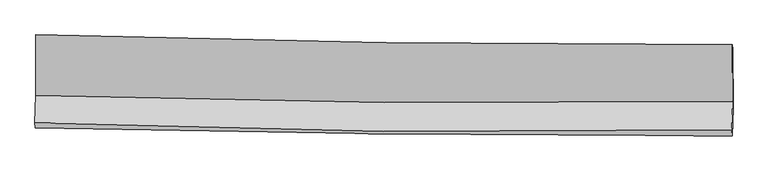
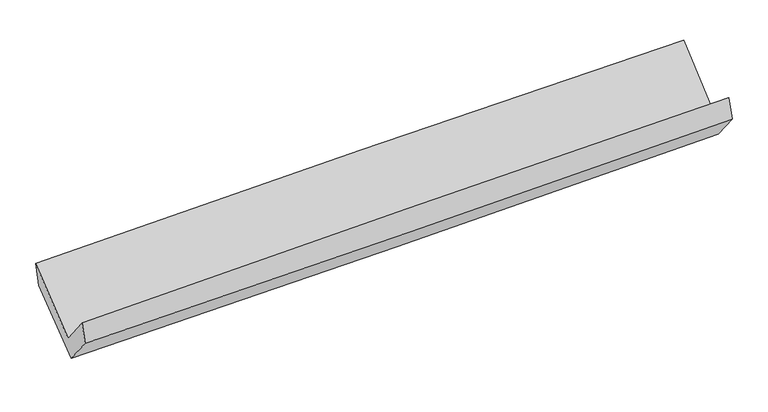
"""IFC4 building model written with IfcOpenShell, lengths in millimetres: proxy geometry."""

from ifc_helpers import new_model, si_unit, frame, origin, place, context, project, spatial, source, transform, mapped, element, save
from ifc_brep_helpers import plane_surface, spline_curve, spline_surface, advanced_brep


def generic_models_2943ab15(model_context):
    return source(origin(), model_context, "Body", "AdvancedBrep", [
        advanced_brep(
        [(-3028.2258674, -1154.8968517, 2154.2738564), (-3025.0222728, -1680.3364473, 1724.6276145), (3015.9135661, -1733.8253173, 1880.8621445), (3012.353899, -1240.5050469, 2310.4733139), (-3034.1445416, -1922.2719256, 2030.4257301), (3006.6044778, -1980.8723113, 2192.8400726), (-3030.8799563, -1965.8038578, 1852.2980784), (3009.8816813, -2033.0614138, 2009.542313), (-3022.0646429, -1729.0494119, 1558.3523916), (3018.8243299, -1792.8871006, 1711.3506437), (-3024.7016262, -1202.6719219, 1961.5662628), (3016.2462562, -1278.2687537, 2105.5568166)],
        [
            (0, 1),
            (1, 2, spline_curve(3, [(-3025.0222728, -1680.3364473, 1724.6276145), (-2018.975132176, -1713.184156327, 1773.3633157), (-1012.524216885, -1734.06517796, 1810.75076346), (1001.121114034, -1751.893278581, 1862.827496135), (2008.315478729, -1748.841880424, 1877.518225076), (3015.9135661, -1733.8253173, 1880.8621445)], [4, 2, 4], [0.0, 9.914896992051728, 19.82916327757416])),
            (2, 3),
            (3, 0, spline_curve(3, [(3012.353899, -1240.5050469, 2310.4733139), (2004.950094235, -1242.127121659, 2304.967786006), (997.882545245, -1235.804622344, 2289.199141283), (-1015.64408632, -1207.269568041, 2237.133961079), (-2022.103126017, -1185.056002226, 2200.836120301), (-3028.2258674, -1154.8968517, 2154.2738564)], [4, 2, 4], [0.0, 9.914266285522432, 19.82916327757416])),
            (1, 4),
            (4, 5, spline_curve(3, [(-3034.1445416, -1922.2719256, 2030.4257301), (-2028.299100701, -1960.44286529, 2085.936644062), (-1021.964601702, -1984.41140438, 2127.226607552), (991.618467232, -2003.943059576, 2181.362912534), (1998.866974449, -1999.507982392, 2194.211063175), (3006.6044778, -1980.8723113, 2192.8400726)], [4, 2, 4], [0.0, 9.915641972587437, 19.83065319125587])),
            (5, 2),
            (4, 6),
            (6, 7, spline_curve(3, [(-3030.8799563, -1965.8038578, 1852.2980784), (-2024.304069913, -1989.17814272, 1880.907145038), (-1017.603307873, -2006.470066493, 1908.315743281), (995.98392067, -2028.888478244, 1960.730335367), (2002.870371223, -2034.015739854, 1985.736482148), (3009.8816813, -2033.0614138, 2009.542313)], [4, 2, 4], [0.0, 9.914635348530345, 19.828640007175064])),
            (7, 5),
            (6, 8),
            (8, 9, spline_curve(3, [(-3022.0646429, -1729.0494119, 1558.3523916), (-2015.509981088, -1752.993729299, 1587.669189783), (-1008.809218931, -1770.285652967, 1615.077787974), (1004.820456978, -1791.564036031, 1666.076962295), (2011.749352894, -1795.551342, 1689.667781589), (3018.8243299, -1792.8871006, 1711.3506437)], [4, 2, 4], [0.0, 9.913864465361545, 19.827098289874893])),
            (9, 7),
            (8, 10),
            (10, 11, spline_curve(3, [(-3024.7016262, -1202.6719219, 1961.5662628), (-2018.168635112, -1222.290436711, 1994.196697271), (-1011.473798936, -1238.399518981, 2022.511371508), (1002.175515758, -1263.59801613, 2070.507673873), (2009.129973672, -1272.687878126, 2090.189850779), (3016.2462562, -1278.2687537, 2105.5568166)], [4, 2, 4], [0.0, 9.91378438255733, 19.82693812936069])),
            (11, 9),
            (10, 0),
            (3, 11),
        ],
        [
            spline_surface(3, 3, [[(-3028.2258674, -1154.8968517, 2154.2738564), (-2022.103126019, -1185.056002259, 2200.836120253), (-1015.644086316, -1207.269568078, 2237.133961184), (997.882545241, -1235.804622307, 2289.199141178), (2004.950094392, -1242.127121555, 2304.967786079), (3012.353899, -1240.5050469, 2310.4733139)], [(-3027.158002553, -1330.043383539, 2011.058442422), (-2021.06046137, -1361.09872025, 2058.345185336), (-1014.604129833, -1382.868104658, 2095.006228575), (998.962068203, -1407.834174461, 2147.075259557), (2006.071889136, -1411.032041215, 2162.484599099), (3013.540454697, -1404.945137024, 2167.269590771)], [(-3026.090137647, -1505.189915461, 1867.843028478), (-2020.017796663, -1537.141438323, 1915.854250452), (-1013.564173405, -1558.466641215, 1952.878495927), (1000.041591109, -1579.863726592, 2004.951377897), (2007.193683887, -1579.936960901, 2020.001412107), (3014.727010403, -1569.385227176, 2024.065867629)], [(-3025.0222728, -1680.3364473, 1724.6276145), (-2018.975132014, -1713.184156314, 1773.363315535), (-1012.524216921, -1734.065177796, 1810.750763318), (1001.12111407, -1751.893278746, 1862.827496276), (2008.315478631, -1748.841880561, 1877.518225128), (3015.9135661, -1733.8253173, 1880.8621445)]], [4, 4], [4, 2, 4], [0.0, 2.209908258450516], [0.0, 9.914896992051728, 19.82916327757416]),
            spline_surface(3, 3, [[(-3025.0222728, -1680.3364473, 1724.6276145), (-2018.975132014, -1713.184156314, 1773.363315535), (-1012.524216921, -1734.065177796, 1810.750763318), (1001.12111407, -1751.893278746, 1862.827496276), (2008.315478631, -1748.841880561, 1877.518225128), (3015.9135661, -1733.8253173, 1880.8621445)], [(-3028.063029065, -1760.981606764, 1826.560319709), (-2022.083121573, -1795.603726041, 1877.554425013), (-1015.671011818, -1817.513920011, 1916.242711391), (997.953565069, -1835.909872328, 1969.005968354), (2005.165977246, -1832.397247831, 1983.082504436), (3012.810536671, -1816.174315292, 1984.854787187)], [(-3031.103785335, -1841.626766136, 1928.493024891), (-2025.191111137, -1878.023295677, 1981.745534464), (-1018.817806677, -1900.962662237, 2021.734659484), (994.786016105, -1919.926465921, 2075.184440451), (2002.016475847, -1915.952615124, 2088.646783784), (3009.707507229, -1898.523313308, 2088.847429913)], [(-3034.1445416, -1922.2719256, 2030.4257301), (-2028.299100696, -1960.442865404, 2085.936643942), (-1021.964601574, -1984.411404453, 2127.226607557), (991.618467104, -2003.943059504, 2181.362912529), (1998.866974462, -1999.507982394, 2194.211063093), (3006.6044778, -1980.8723113, 2192.8400726)]], [4, 4], [4, 2, 4], [0.0, 1.3286385003381505], [0.0, 9.915641972587437, 19.83065319125587]),
            spline_surface(3, 3, [[(-3034.1445416, -1922.2719256, 2030.4257301), (-2028.299100696, -1960.442865404, 2085.936643942), (-1021.964601574, -1984.411404453, 2127.226607557), (991.618467104, -2003.943059504, 2181.362912529), (1998.866974462, -1999.507982394, 2194.211063093), (3006.6044778, -1980.8723113, 2192.8400726)], [(-3033.056346488, -1936.782569664, 1971.049846184), (-2026.967423706, -1970.021291228, 2017.593477658), (-1020.51083699, -1991.764291849, 2054.256319456), (993.073618263, -2012.258199061, 2107.818720151), (2000.201440046, -2011.010568198, 2124.719536101), (3007.696878968, -1998.268678817, 2131.74081939)], [(-3031.968151412, -1951.293213736, 1911.673962316), (-2025.635746752, -1979.59971706, 1949.250311422), (-1019.057072387, -1999.117179205, 1981.286031354), (994.528769441, -2020.573338578, 2034.274527773), (2001.535905625, -2022.51315395, 2055.22800914), (3008.789280132, -2015.665046283, 2070.64156621)], [(-3030.8799563, -1965.8038578, 1852.2980784), (-2024.304069762, -1989.178142884, 1880.907145138), (-1017.603307803, -2006.470066601, 1908.315743253), (995.9839206, -2028.888478136, 1960.730335396), (2002.870371209, -2034.015739753, 1985.736482148), (3009.8816813, -2033.0614138, 2009.542313)]], [4, 4], [4, 2, 4], [0.0, 0.7252880099578682], [0.0, 9.914635348530345, 19.828640007175064]),
            spline_surface(3, 3, [[(-3030.8799563, -1965.8038578, 1852.2980784), (-2024.304069762, -1989.178142884, 1880.907145138), (-1017.603307803, -2006.470066601, 1908.315743253), (995.9839206, -2028.888478136, 1960.730335396), (2002.870371209, -2034.015739753, 1985.736482148), (3009.8816813, -2033.0614138, 2009.542313)], [(-3027.941518513, -1886.885709145, 1754.31618282), (-2021.372706834, -1910.450004986, 1783.161159985), (-1014.671944875, -1927.741928703, 1810.5697581), (998.929432796, -1949.780330811, 1862.512544394), (2005.830031773, -1954.527607173, 1887.046915311), (3012.862564191, -1953.003309381, 1910.145089913)], [(-3025.003080687, -1807.967560555, 1656.33428718), (-2018.441343866, -1831.721867154, 1685.415174773), (-1011.740582008, -1849.013790771, 1712.823772988), (1001.874944932, -1870.67218345, 1764.294753435), (2008.789692263, -1875.039474649, 1788.357348436), (3015.843447009, -1872.945205019, 1810.747866787)], [(-3022.0646429, -1729.0494119, 1558.3523916), (-2015.509980939, -1752.993729256, 1587.66918962), (-1008.80921908, -1770.285652873, 1615.077787835), (1004.820457127, -1791.564036125, 1666.076962433), (2011.749352827, -1795.551342069, 1689.667781599), (3018.8243299, -1792.8871006, 1711.3506437)]], [4, 4], [4, 2, 4], [0.0, 1.2386392871268332], [0.0, 9.913864465361545, 19.827098289874893]),
            spline_surface(3, 3, [[(-3022.0646429, -1729.0494119, 1558.3523916), (-2015.509980939, -1752.993729256, 1587.66918962), (-1008.80921908, -1770.285652873, 1615.077787835), (1004.820457127, -1791.564036125, 1666.076962433), (2011.749352827, -1795.551342069, 1689.667781599), (3018.8243299, -1792.8871006, 1711.3506437)], [(-3022.943637343, -1553.59024859, 1692.757015318), (-2016.396199012, -1576.092631745, 1723.178358807), (-1009.697412373, -1592.990274834, 1750.888982433), (1003.938810008, -1615.575362813, 1800.887199579), (2010.876226434, -1621.263520729, 1823.175137978), (3017.964971976, -1621.347651623, 1842.752701351)], [(-3023.822631757, -1378.13108521, 1827.161639082), (-2017.282417057, -1399.191534163, 1858.687528039), (-1010.585605661, -1415.694896878, 1886.700176971), (1003.057162895, -1439.586689584, 1935.697436665), (2010.003100113, -1446.97569942, 1956.682494304), (3017.105614124, -1449.808202677, 1974.154758949)], [(-3024.7016262, -1202.6719219, 1961.5662628), (-2018.16863513, -1222.290436653, 1994.196697225), (-1011.473798953, -1238.399518839, 2022.51137157), (1002.175515776, -1263.598016272, 2070.507673811), (2009.12997372, -1272.68787808, 2090.189850683), (3016.2462562, -1278.2687537, 2105.5568166)]], [4, 4], [4, 2, 4], [0.0, 2.190092260184109], [0.0, 9.91378438255733, 19.82693812936069]),
            spline_surface(3, 3, [[(-3024.7016262, -1202.6719219, 1961.5662628), (-2018.16863513, -1222.290436653, 1994.196697225), (-1011.473798953, -1238.399518839, 2022.51137157), (1002.175515776, -1263.598016272, 2070.507673811), (2009.12997372, -1272.68787808, 2090.189850683), (3016.2462562, -1278.2687537, 2105.5568166)], [(-3025.876373238, -1186.746898498, 2025.802127347), (-2019.480132065, -1209.878958519, 2063.076504915), (-1012.863894759, -1228.022868584, 2094.052234762), (1000.74452558, -1254.333551615, 2143.404829587), (2007.736680606, -1262.500959267, 2161.782495804), (3014.948803796, -1265.680851462, 2173.862315689)], [(-3027.051120362, -1170.821875102, 2090.037991853), (-2020.791629084, -1197.467480393, 2131.956312563), (-1014.253990511, -1217.646218333, 2165.593097992), (999.313535437, -1245.069086964, 2216.301985402), (2006.343387506, -1252.314040369, 2233.375140958), (3013.651351404, -1253.092949138, 2242.167814811)], [(-3028.2258674, -1154.8968517, 2154.2738564), (-2022.103126019, -1185.056002259, 2200.836120253), (-1015.644086316, -1207.269568078, 2237.133961184), (997.882545241, -1235.804622307, 2289.199141178), (2004.950094392, -1242.127121555, 2304.967786079), (3012.353899, -1240.5050469, 2310.4733139)]], [4, 4], [4, 2, 4], [0.0, 0.7174928687694286], [0.0, 9.914130244883843, 19.82762983201272]),
            plane_surface(frame((3013.304035, -1676.5699906, 2035.1042174), z_axis=(0.9997170315578126, -0.01110576211185215, 0.021036132276413815), x_axis=(-0.003976931362051998, 0.7938492161149766, 0.6081016412496999))),
            plane_surface(frame((-3027.5064845, -1609.171736, 1880.2573223), z_axis=(-0.9997170315578211, 0.011105762111606526, -0.021036132276137293), x_axis=(0.01774786836041989, -0.24059240821175168, -0.9704639644415094))),
        ],
        [
            (0, [[1, 2, 3, 4]]),
            (1, [[5, 6, 7, -2]]),
            (2, [[8, 9, 10, -6]]),
            (3, [[11, 12, 13, -9]]),
            (4, [[14, 15, 16, -12]]),
            (5, [[17, -4, 18, -15]]),
            (6, [[-16, -18, -3, -7, -10, -13]]),
            (7, [[-17, -14, -11, -8, -5, -1]]),
        ],
    ),
    ])


if __name__ == "__main__":
    model = new_model("IFC4")
    model_context = context("Model", 3, world=origin())
    ifc_project = project(units=[si_unit("LENGTHUNIT", "METRE", prefix="MILLI")], contexts=[model_context])
    site = spatial("IfcSite", under=ifc_project)
    building = spatial("IfcBuilding", under=site)
    placement = place(None, origin())
    generic_models_shape = generic_models_2943ab15(model_context)
    element("IfcBuildingElementProxy", 1, Name="Generic Models", at=placement, inside=building, context=model_context, shape_type="MappedRepresentation", body=[
        mapped(generic_models_shape, transform((0.0, 0.0, 0.0), x_axis=(1.0, 0.0, 0.0), y_axis=(0.0, 1.0, 0.0), z_axis=(0.0, 0.0, 1.0))),
    ])
    save(model, "model.ifc")
